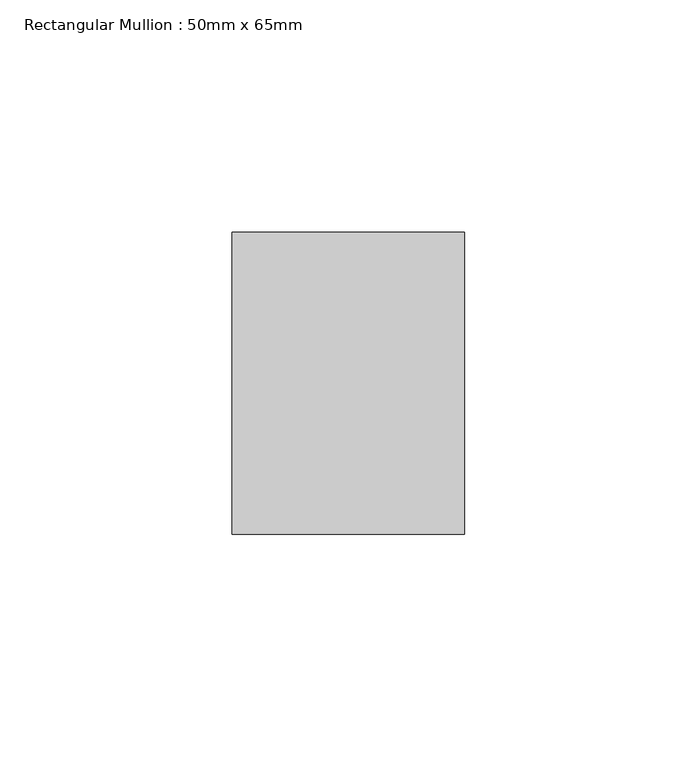
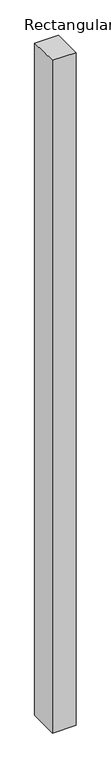
"""IFC4 building model written with IfcOpenShell, lengths in millimetres: member geometry, Rectangular Mullion : 50mm x 65mm."""

from ifc_helpers import new_model, si_unit, origin, place, context, project, spatial, faceted_brep, source, transform, mapped, element, save


def rectangular_mullion_50mm_x_65mm_c722aca2(model_context):
    return source(origin(), model_context, "Body", "Brep", [
        faceted_brep([(-25.0, 32.5, -0.3057232), (25.0, 32.5, -0.3057242), (25.0, 32.5, -1499.7970879), (-25.0, 32.5, -1499.7970886), (-25.0, -32.5, 0.3057242), (-25.0, -32.5, -1500.2025641), (25.0, -32.5, 0.3057232), (25.0, -32.5, -1500.2025634)], [[[0, 1, 2, 3]], [[4, 0, 3, 5]], [[6, 4, 5, 7]], [[1, 6, 7, 2]], [[1, 0, 4, 6]], [[2, 7, 5, 3]]]),
    ])


if __name__ == "__main__":
    model = new_model("IFC4")
    model_context = context("Model", 3, world=origin())
    ifc_project = project(units=[si_unit("LENGTHUNIT", "METRE", prefix="MILLI")], contexts=[model_context])
    site = spatial("IfcSite", under=ifc_project)
    building = spatial("IfcBuilding", under=site)
    placement = place(None, origin())
    rectangular_mullion_50mm_x_65mm_shape = rectangular_mullion_50mm_x_65mm_c722aca2(model_context)
    element("IfcMember", 1, ObjectType="Rectangular Mullion : 50mm x 65mm", at=placement, inside=building, context=model_context, shape_type="MappedRepresentation", body=[
        mapped(rectangular_mullion_50mm_x_65mm_shape, transform((0.0, 0.0, 0.0), x_axis=(1.0, 0.0, 0.0), y_axis=(0.0, 1.0, 0.0), z_axis=(0.0, 0.0, 1.0))),
    ])
    save(model, "model.ifc")
